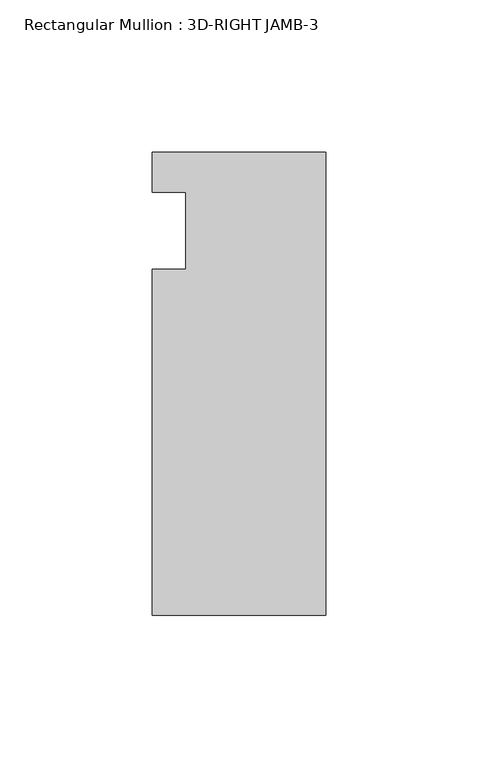
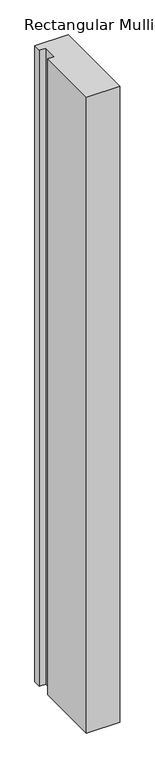
"""IFC4 building model written with IfcOpenShell, lengths in millimetres: member geometry, Rectangular Mullion : 3D-RIGHT JAMB-3."""

from ifc_helpers import new_model, si_unit, frame, origin, place, context, project, spatial, polyline, outline, extrude, source, transform, mapped, element, save


def rectangular_mullion_3d_right_jamb_3_70accb24(model_context):
    return source(origin(), model_context, "Body", "SweptSolid", [
        extrude(outline(polyline([(-57.15, 7.14375), (0.0, 7.14375), (0.0, -145.25625), (-57.15, -145.25625), (-57.15, -31.45155), (-46.0375, -31.45155), (-46.0375, -6.05155), (-57.15, -6.05155), (-57.15, 7.14375)])), frame((0.0, 0.0, -1149.35), z_axis=(0.0, 0.0, 1.0), x_axis=(1.0, 0.0, 0.0)), (0.0, 0.0, 1.0), 1149.35),
    ])


if __name__ == "__main__":
    model = new_model("IFC4")
    model_context = context("Model", 3, world=origin())
    ifc_project = project(units=[si_unit("LENGTHUNIT", "METRE", prefix="MILLI")], contexts=[model_context])
    site = spatial("IfcSite", under=ifc_project)
    building = spatial("IfcBuilding", under=site)
    placement = place(None, origin())
    rectangular_mullion_3d_right_jamb_3_shape = rectangular_mullion_3d_right_jamb_3_70accb24(model_context)
    element("IfcMember", 1, ObjectType="Rectangular Mullion : 3D-RIGHT JAMB-3", at=placement, inside=building, context=model_context, shape_type="MappedRepresentation", body=[
        mapped(rectangular_mullion_3d_right_jamb_3_shape, transform((0.0, 0.0, 0.0), x_axis=(1.0, 0.0, 0.0), y_axis=(0.0, 1.0, 0.0), z_axis=(0.0, 0.0, 1.0))),
    ])
    save(model, "model.ifc")
